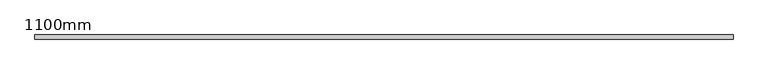
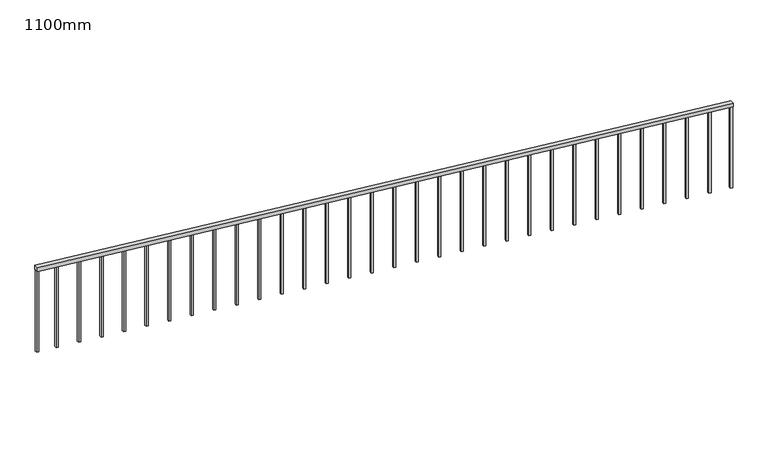
"""IFC4 building model written with IfcOpenShell, lengths in millimetres: railing geometry, 1100mm."""

from ifc_helpers import new_model, si_unit, frame, origin, place, context, project, spatial, polyline, outline, extrude, source, transform, mapped, element, save


def railing_1100mm_5e3e148c(model_context):
    return source(origin(), model_context, "Body", "SweptSolid", [
        extrude(outline(polyline([(1049.7506219, -307210.1057122), (1100.0, -307210.1057122), (1950.0, -315710.1057122), (1899.7506219, -315710.1057122), (1049.7506219, -307210.1057122)])), frame((0.0, -93566.8589449, 0.0), z_axis=(0.0, 1.0, 0.0), x_axis=(0.0, 0.0, 1.0)), (0.0, 0.0, 1.0), 50.0),
        extrude(outline(polyline([(1873.5006219, -315447.6057122), (1876.0006219, -315472.6057122), (826.25, -315472.6057122), (823.75, -315447.6057122), (1873.5006219, -315447.6057122)])), frame((0.0, -93554.3589449, 0.0), z_axis=(0.0, 1.0, 0.0), x_axis=(0.0, 0.0, 1.0)), (0.0, 0.0, 1.0), 25.0),
        extrude(outline(polyline([(1846.0006219, -315172.6057122), (1848.5006219, -315197.6057122), (798.75, -315197.6057122), (796.25, -315172.6057122), (1846.0006219, -315172.6057122)])), frame((0.0, -93554.3589449, 0.0), z_axis=(0.0, 1.0, 0.0), x_axis=(0.0, 0.0, 1.0)), (0.0, 0.0, 1.0), 25.0),
        extrude(outline(polyline([(1818.5006219, -314897.6057122), (1821.0006219, -314922.6057122), (771.25, -314922.6057122), (768.75, -314897.6057122), (1818.5006219, -314897.6057122)])), frame((0.0, -93554.3589449, 0.0), z_axis=(0.0, 1.0, 0.0), x_axis=(0.0, 0.0, 1.0)), (0.0, 0.0, 1.0), 25.0),
        extrude(outline(polyline([(1791.0006219, -314622.6057122), (1793.5006219, -314647.6057122), (743.75, -314647.6057122), (741.25, -314622.6057122), (1791.0006219, -314622.6057122)])), frame((0.0, -93554.3589449, 0.0), z_axis=(0.0, 1.0, 0.0), x_axis=(0.0, 0.0, 1.0)), (0.0, 0.0, 1.0), 25.0),
        extrude(outline(polyline([(1763.5006219, -314347.6057122), (1766.0006219, -314372.6057122), (716.25, -314372.6057122), (713.75, -314347.6057122), (1763.5006219, -314347.6057122)])), frame((0.0, -93554.3589449, 0.0), z_axis=(0.0, 1.0, 0.0), x_axis=(0.0, 0.0, 1.0)), (0.0, 0.0, 1.0), 25.0),
        extrude(outline(polyline([(1736.0006219, -314072.6057122), (1738.5006219, -314097.6057122), (688.75, -314097.6057122), (686.25, -314072.6057122), (1736.0006219, -314072.6057122)])), frame((0.0, -93554.3589449, 0.0), z_axis=(0.0, 1.0, 0.0), x_axis=(0.0, 0.0, 1.0)), (0.0, 0.0, 1.0), 25.0),
        extrude(outline(polyline([(1708.5006219, -313797.6057122), (1711.0006219, -313822.6057122), (661.25, -313822.6057122), (658.75, -313797.6057122), (1708.5006219, -313797.6057122)])), frame((0.0, -93554.3589449, 0.0), z_axis=(0.0, 1.0, 0.0), x_axis=(0.0, 0.0, 1.0)), (0.0, 0.0, 1.0), 25.0),
        extrude(outline(polyline([(1681.0006219, -313522.6057122), (1683.5006219, -313547.6057122), (633.75, -313547.6057122), (631.25, -313522.6057122), (1681.0006219, -313522.6057122)])), frame((0.0, -93554.3589449, 0.0), z_axis=(0.0, 1.0, 0.0), x_axis=(0.0, 0.0, 1.0)), (0.0, 0.0, 1.0), 25.0),
        extrude(outline(polyline([(1653.5006219, -313247.6057122), (1656.0006219, -313272.6057122), (606.25, -313272.6057122), (603.75, -313247.6057122), (1653.5006219, -313247.6057122)])), frame((0.0, -93554.3589449, 0.0), z_axis=(0.0, 1.0, 0.0), x_axis=(0.0, 0.0, 1.0)), (0.0, 0.0, 1.0), 25.0),
        extrude(outline(polyline([(1626.0006219, -312972.6057122), (1628.5006219, -312997.6057122), (578.75, -312997.6057122), (576.25, -312972.6057122), (1626.0006219, -312972.6057122)])), frame((0.0, -93554.3589449, 0.0), z_axis=(0.0, 1.0, 0.0), x_axis=(0.0, 0.0, 1.0)), (0.0, 0.0, 1.0), 25.0),
        extrude(outline(polyline([(1598.5006219, -312697.6057122), (1601.0006219, -312722.6057122), (551.25, -312722.6057122), (548.75, -312697.6057122), (1598.5006219, -312697.6057122)])), frame((0.0, -93554.3589449, 0.0), z_axis=(0.0, 1.0, 0.0), x_axis=(0.0, 0.0, 1.0)), (0.0, 0.0, 1.0), 25.0),
        extrude(outline(polyline([(1571.0006219, -312422.6057122), (1573.5006219, -312447.6057122), (523.75, -312447.6057122), (521.25, -312422.6057122), (1571.0006219, -312422.6057122)])), frame((0.0, -93554.3589449, 0.0), z_axis=(0.0, 1.0, 0.0), x_axis=(0.0, 0.0, 1.0)), (0.0, 0.0, 1.0), 25.0),
        extrude(outline(polyline([(1543.5006219, -312147.6057122), (1546.0006219, -312172.6057122), (496.25, -312172.6057122), (493.75, -312147.6057122), (1543.5006219, -312147.6057122)])), frame((0.0, -93554.3589449, 0.0), z_axis=(0.0, 1.0, 0.0), x_axis=(0.0, 0.0, 1.0)), (0.0, 0.0, 1.0), 25.0),
        extrude(outline(polyline([(1516.0006219, -311872.6057122), (1518.5006219, -311897.6057122), (468.75, -311897.6057122), (466.25, -311872.6057122), (1516.0006219, -311872.6057122)])), frame((0.0, -93554.3589449, 0.0), z_axis=(0.0, 1.0, 0.0), x_axis=(0.0, 0.0, 1.0)), (0.0, 0.0, 1.0), 25.0),
        extrude(outline(polyline([(1488.5006219, -311597.6057122), (1491.0006219, -311622.6057122), (441.25, -311622.6057122), (438.75, -311597.6057122), (1488.5006219, -311597.6057122)])), frame((0.0, -93554.3589449, 0.0), z_axis=(0.0, 1.0, 0.0), x_axis=(0.0, 0.0, 1.0)), (0.0, 0.0, 1.0), 25.0),
        extrude(outline(polyline([(1461.0006219, -311322.6057122), (1463.5006219, -311347.6057122), (413.75, -311347.6057122), (411.25, -311322.6057122), (1461.0006219, -311322.6057122)])), frame((0.0, -93554.3589449, 0.0), z_axis=(0.0, 1.0, 0.0), x_axis=(0.0, 0.0, 1.0)), (0.0, 0.0, 1.0), 25.0),
        extrude(outline(polyline([(1433.5006219, -311047.6057122), (1436.0006219, -311072.6057122), (386.25, -311072.6057122), (383.75, -311047.6057122), (1433.5006219, -311047.6057122)])), frame((0.0, -93554.3589449, 0.0), z_axis=(0.0, 1.0, 0.0), x_axis=(0.0, 0.0, 1.0)), (0.0, 0.0, 1.0), 25.0),
        extrude(outline(polyline([(1406.0006219, -310772.6057122), (1408.5006219, -310797.6057122), (358.75, -310797.6057122), (356.25, -310772.6057122), (1406.0006219, -310772.6057122)])), frame((0.0, -93554.3589449, 0.0), z_axis=(0.0, 1.0, 0.0), x_axis=(0.0, 0.0, 1.0)), (0.0, 0.0, 1.0), 25.0),
        extrude(outline(polyline([(1378.5006219, -310497.6057122), (1381.0006219, -310522.6057122), (331.25, -310522.6057122), (328.75, -310497.6057122), (1378.5006219, -310497.6057122)])), frame((0.0, -93554.3589449, 0.0), z_axis=(0.0, 1.0, 0.0), x_axis=(0.0, 0.0, 1.0)), (0.0, 0.0, 1.0), 25.0),
        extrude(outline(polyline([(1351.0006219, -310222.6057122), (1353.5006219, -310247.6057122), (303.75, -310247.6057122), (301.25, -310222.6057122), (1351.0006219, -310222.6057122)])), frame((0.0, -93554.3589449, 0.0), z_axis=(0.0, 1.0, 0.0), x_axis=(0.0, 0.0, 1.0)), (0.0, 0.0, 1.0), 25.0),
        extrude(outline(polyline([(1323.5006219, -309947.6057122), (1326.0006219, -309972.6057122), (276.25, -309972.6057122), (273.75, -309947.6057122), (1323.5006219, -309947.6057122)])), frame((0.0, -93554.3589449, 0.0), z_axis=(0.0, 1.0, 0.0), x_axis=(0.0, 0.0, 1.0)), (0.0, 0.0, 1.0), 25.0),
        extrude(outline(polyline([(1296.0006219, -309672.6057122), (1298.5006219, -309697.6057122), (248.75, -309697.6057122), (246.25, -309672.6057122), (1296.0006219, -309672.6057122)])), frame((0.0, -93554.3589449, 0.0), z_axis=(0.0, 1.0, 0.0), x_axis=(0.0, 0.0, 1.0)), (0.0, 0.0, 1.0), 25.0),
        extrude(outline(polyline([(1268.5006219, -309397.6057122), (1271.0006219, -309422.6057122), (221.25, -309422.6057122), (218.75, -309397.6057122), (1268.5006219, -309397.6057122)])), frame((0.0, -93554.3589449, 0.0), z_axis=(0.0, 1.0, 0.0), x_axis=(0.0, 0.0, 1.0)), (0.0, 0.0, 1.0), 25.0),
        extrude(outline(polyline([(1241.0006219, -309122.6057122), (1243.5006219, -309147.6057122), (193.75, -309147.6057122), (191.25, -309122.6057122), (1241.0006219, -309122.6057122)])), frame((0.0, -93554.3589449, 0.0), z_axis=(0.0, 1.0, 0.0), x_axis=(0.0, 0.0, 1.0)), (0.0, 0.0, 1.0), 25.0),
        extrude(outline(polyline([(1213.5006219, -308847.6057122), (1216.0006219, -308872.6057122), (166.25, -308872.6057122), (163.75, -308847.6057122), (1213.5006219, -308847.6057122)])), frame((0.0, -93554.3589449, 0.0), z_axis=(0.0, 1.0, 0.0), x_axis=(0.0, 0.0, 1.0)), (0.0, 0.0, 1.0), 25.0),
        extrude(outline(polyline([(1186.0006219, -308572.6057122), (1188.5006219, -308597.6057122), (138.75, -308597.6057122), (136.25, -308572.6057122), (1186.0006219, -308572.6057122)])), frame((0.0, -93554.3589449, 0.0), z_axis=(0.0, 1.0, 0.0), x_axis=(0.0, 0.0, 1.0)), (0.0, 0.0, 1.0), 25.0),
        extrude(outline(polyline([(1158.5006219, -308297.6057122), (1161.0006219, -308322.6057122), (111.25, -308322.6057122), (108.75, -308297.6057122), (1158.5006219, -308297.6057122)])), frame((0.0, -93554.3589449, 0.0), z_axis=(0.0, 1.0, 0.0), x_axis=(0.0, 0.0, 1.0)), (0.0, 0.0, 1.0), 25.0),
        extrude(outline(polyline([(1131.0006219, -308022.6057122), (1133.5006219, -308047.6057122), (83.75, -308047.6057122), (81.25, -308022.6057122), (1131.0006219, -308022.6057122)])), frame((0.0, -93554.3589449, 0.0), z_axis=(0.0, 1.0, 0.0), x_axis=(0.0, 0.0, 1.0)), (0.0, 0.0, 1.0), 25.0),
        extrude(outline(polyline([(1103.5006219, -307747.6057122), (1106.0006219, -307772.6057122), (56.25, -307772.6057122), (53.75, -307747.6057122), (1103.5006219, -307747.6057122)])), frame((0.0, -93554.3589449, 0.0), z_axis=(0.0, 1.0, 0.0), x_axis=(0.0, 0.0, 1.0)), (0.0, 0.0, 1.0), 25.0),
        extrude(outline(polyline([(1076.0006219, -307472.6057122), (1078.5006219, -307497.6057122), (28.75, -307497.6057122), (26.25, -307472.6057122), (1076.0006219, -307472.6057122)])), frame((0.0, -93554.3589449, 0.0), z_axis=(0.0, 1.0, 0.0), x_axis=(0.0, 0.0, 1.0)), (0.0, 0.0, 1.0), 25.0),
        extrude(outline(polyline([(1897.2506219, -315685.1057122), (1899.7506219, -315710.1057122), (850.0, -315710.1057122), (847.5, -315685.1057122), (1897.2506219, -315685.1057122)])), frame((0.0, -93554.3589449, 0.0), z_axis=(0.0, 1.0, 0.0), x_axis=(0.0, 0.0, 1.0)), (0.0, 0.0, 1.0), 25.0),
        extrude(outline(polyline([(1049.7506219, -307210.1057122), (1052.2506219, -307235.1057122), (2.5, -307235.1057122), (0.0, -307210.1057122), (1049.7506219, -307210.1057122)])), frame((0.0, -93554.3589449, 0.0), z_axis=(0.0, 1.0, 0.0), x_axis=(0.0, 0.0, 1.0)), (0.0, 0.0, 1.0), 25.0),
    ])


if __name__ == "__main__":
    model = new_model("IFC4")
    model_context = context("Model", 3, world=origin())
    ifc_project = project(units=[si_unit("LENGTHUNIT", "METRE", prefix="MILLI")], contexts=[model_context])
    site = spatial("IfcSite", under=ifc_project)
    building = spatial("IfcBuilding", under=site)
    placement = place(None, origin())
    railing_1100mm_shape = railing_1100mm_5e3e148c(model_context)
    element("IfcRailing", 1, ObjectType="1100mm", at=placement, inside=building, context=model_context, shape_type="MappedRepresentation", body=[
        mapped(railing_1100mm_shape, transform((0.0, 0.0, 0.0), x_axis=(1.0, 0.0, 0.0), y_axis=(0.0, 1.0, 0.0), z_axis=(0.0, 0.0, 1.0))),
    ])
    save(model, "model.ifc")
